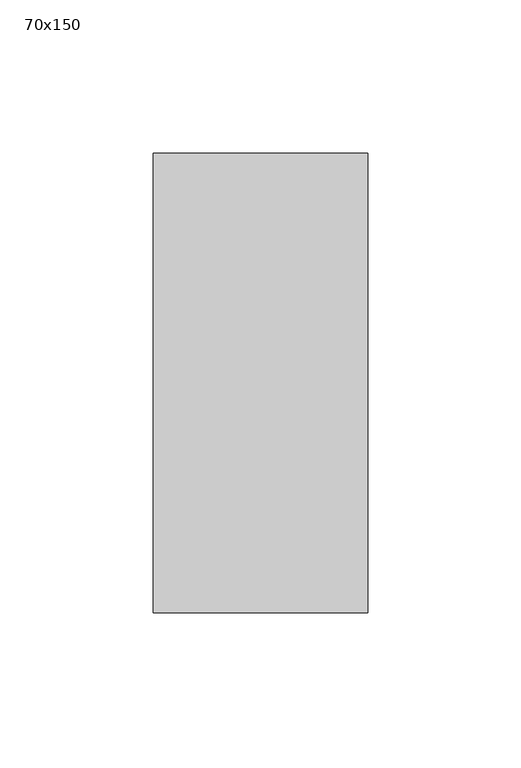
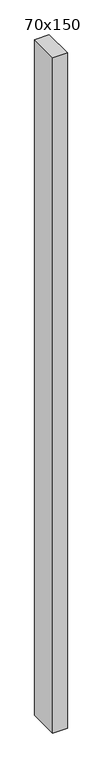
"""IFC4 building model written with IfcOpenShell, lengths in millimetres: member geometry, 70x150."""

from ifc_helpers import new_model, si_unit, frame, origin, place, context, project, spatial, polyline, outline, extrude, source, transform, mapped, element, save


def member_70x150_b7995fa3(model_context):
    return source(origin(), model_context, "Body", "SweptSolid", [
        extrude(outline(polyline([(0.0, 75.0), (0.0, -75.0), (-70.0, -75.0), (-70.0, 75.0), (0.0, 75.0)])), frame((0.0, 0.0, -3430.0), z_axis=(0.0, 0.0, 1.0), x_axis=(1.0, 0.0, 0.0)), (0.0, 0.0, 1.0), 3430.0),
    ])


if __name__ == "__main__":
    model = new_model("IFC4")
    model_context = context("Model", 3, world=origin())
    ifc_project = project(units=[si_unit("LENGTHUNIT", "METRE", prefix="MILLI")], contexts=[model_context])
    site = spatial("IfcSite", under=ifc_project)
    building = spatial("IfcBuilding", under=site)
    placement = place(None, origin())
    member_70x150_shape = member_70x150_b7995fa3(model_context)
    element("IfcMember", 1, ObjectType="70x150", at=placement, inside=building, context=model_context, shape_type="MappedRepresentation", body=[
        mapped(member_70x150_shape, transform((0.0, 0.0, 0.0), x_axis=(1.0, 0.0, 0.0), y_axis=(0.0, 1.0, 0.0), z_axis=(0.0, 0.0, 1.0))),
    ])
    save(model, "model.ifc")
